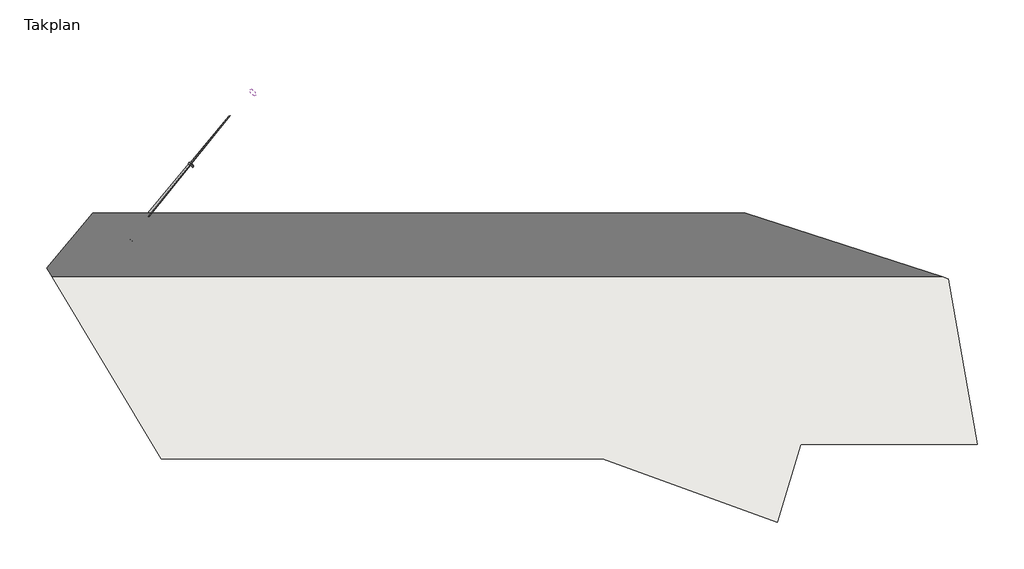
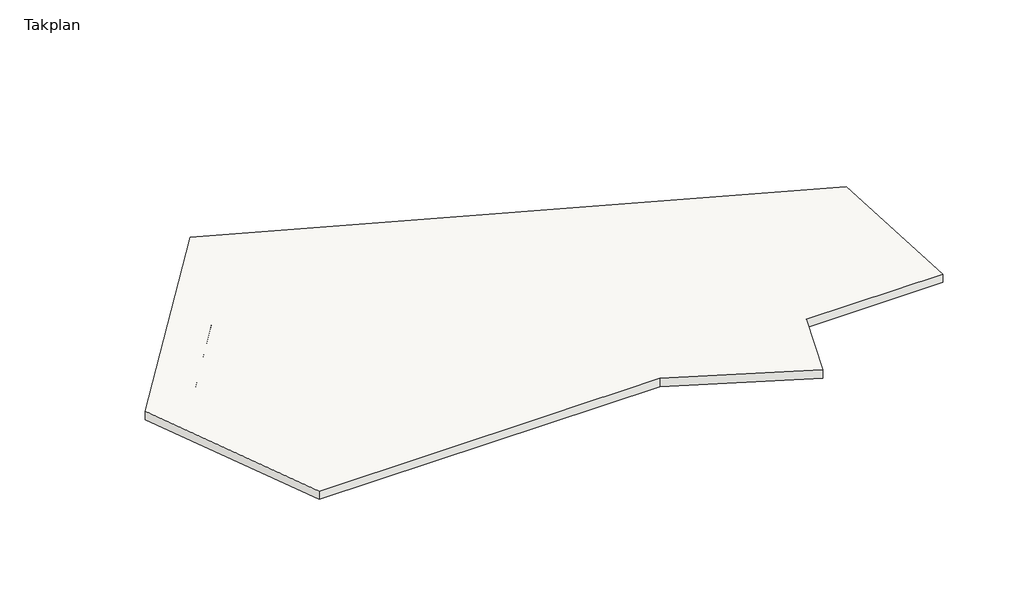
# One storey: 4 members, 3 plates, 1 roof.
"""IFC4 building model written with IfcOpenShell, lengths in millimetres."""

import ifcopenshell
import ifcopenshell.guid

model = None  # the IFC model being written
_history = None  # IfcOwnerHistory: only IFC2X3 demands one
_inside = {}  # id of a spatial element -> (the spatial element, [elements in it])
_under = {}  # id of a project, library or spatial element -> (it, [spatial elements below it])
_declared = {}  # id of a project -> (the project, [libraries it declares])
_typed = {}  # id of a type object -> (the type object, [elements of that type])
_made_of = {}  # id of a material, layer set ... -> (it, [elements and type objects made of it])


def new_model(schema):
    """Start an empty IFC model of exactly this schema.

    Asked for "IFC4X3", IfcOpenShell would pick the latest addendum, in which some entities
    have other attributes; the version numbers below select the first issue.
    IFC2X3 requires an IfcOwnerHistory on every rooted entity: one is made here for all.
    """
    global model, _history
    if schema == "IFC4X3":
        model = ifcopenshell.file(schema_version=(4, 3, 0, 0))
    else:
        model = ifcopenshell.file(schema=schema)
    _inside.clear()
    _under.clear()
    _declared.clear()
    _typed.clear()
    _made_of.clear()
    _history = None
    if model.schema == "IFC2X3":
        org = make("IfcOrganization", Name="unknown")
        user = make(
            "IfcPersonAndOrganization",
            ThePerson=make("IfcPerson", FamilyName="unknown"),
            TheOrganization=org,
        )
        app = make(
            "IfcApplication",
            ApplicationDeveloper=org,
            Version="unknown",
            ApplicationFullName="unknown",
            ApplicationIdentifier="unknown",
        )
        _history = make(
            "IfcOwnerHistory",
            OwningUser=user,
            OwningApplication=app,
            ChangeAction="ADDED",
            CreationDate=0,
        )
    return model


def make(cls, **values):
    """One entity of the class cls with the attributes given. An attribute that is None is left unset."""
    return model.create_entity(
        cls, **{name: value for name, value in values.items() if value is not None}
    )


def rooted(cls, **values):
    """An entity with a GlobalId (a new one), such as an element, a storey or a relation."""
    return make(cls, GlobalId=ifcopenshell.guid.new(), OwnerHistory=_history, **values)


def si_unit(unit_type, name, prefix=None):
    """IfcSIUnit, for example si_unit("LENGTHUNIT", "METRE", prefix="MILLI")."""
    return make("IfcSIUnit", UnitType=unit_type, Prefix=prefix, Name=name)


def assignment(units):
    """IfcUnitAssignment: the units of a project."""
    return None if units is None else make("IfcUnitAssignment", Units=units)


def point(xyz):
    """IfcCartesianPoint."""
    return None if xyz is None else make("IfcCartesianPoint", Coordinates=xyz)


def direction(xyz):
    """IfcDirection."""
    return None if xyz is None else make("IfcDirection", DirectionRatios=xyz)


def frame(location, z_axis=None, x_axis=None):
    """IfcAxis2Placement3D, a coordinate frame: its origin and axes. An axis left out is left unset."""
    return make(
        "IfcAxis2Placement3D",
        Location=point(location),
        Axis=direction(z_axis),
        RefDirection=direction(x_axis),
    )


def origin():
    """The frame at (0, 0, 0) with its axes left unset."""
    return frame((0.0, 0.0, 0.0))


def place(relative_to, where):
    """IfcLocalPlacement: puts the frame where relative to a parent placement (None: the world)."""
    return make(
        "IfcLocalPlacement", PlacementRelTo=relative_to, RelativePlacement=where
    )


def context(
    kind, dimensions, precision=None, world=None, true_north=None, identifier=None
):
    """IfcGeometricRepresentationContext, for example the 3D "Model" context."""
    return make(
        "IfcGeometricRepresentationContext",
        ContextIdentifier=identifier,
        ContextType=kind,
        CoordinateSpaceDimension=dimensions,
        Precision=precision,
        WorldCoordinateSystem=world,
        TrueNorth=true_north,
    )


def project(units=None, contexts=None):
    """IfcProject with its units and contexts."""
    return rooted(
        "IfcProject",
        Name="project",
        RepresentationContexts=contexts,
        UnitsInContext=assignment(units),
    )


def spatial(cls, under=None, at=None, **own):
    """A site, building, storey or space (cls), placed at a placement, below another one or the project."""
    s = rooted(cls, ObjectPlacement=at, **own)
    if under is not None:
        _under.setdefault(under.id(), (under, []))[1].append(s)
    return s


def polyline(points):
    """IfcPolyline through the points."""
    return make("IfcPolyline", Points=[point(p) for p in points])


def outline(outer, holes=None, kind="AREA"):
    """IfcArbitraryClosedProfileDef: a profile drawn as a closed curve; with holes, ...WithVoids."""
    if holes is None:
        return make("IfcArbitraryClosedProfileDef", ProfileType=kind, OuterCurve=outer)
    return make(
        "IfcArbitraryProfileDefWithVoids",
        ProfileType=kind,
        OuterCurve=outer,
        InnerCurves=holes,
    )


def extrude(swept, where, along, depth):
    """IfcExtrudedAreaSolid: the profile swept, set in the frame where, extruded along a direction by depth."""
    return make(
        "IfcExtrudedAreaSolid",
        SweptArea=swept,
        Position=where,
        ExtrudedDirection=direction(along),
        Depth=depth,
    )


def faces_of(points, faces, orient=None, outer=None):
    """IfcFace entities. A face is a list of loops; a loop is a list of indices into points, from 0.

    orient and outer hold one flag for each loop. By default every Orientation is true, the
    first loop of a face is its IfcFaceOuterBound and the others are IfcFaceBound.
    """
    made = []
    for i, loops in enumerate(faces):
        bounds = []
        for j, loop in enumerate(loops):
            is_outer = j == 0 if outer is None else outer[i][j]
            bounds.append(
                make(
                    "IfcFaceOuterBound" if is_outer else "IfcFaceBound",
                    Bound=make("IfcPolyLoop", Polygon=[points[k] for k in loop]),
                    Orientation=True if orient is None else orient[i][j],
                )
            )
        made.append(make("IfcFace", Bounds=bounds))
    return made


def faceted_brep(points, faces, orient=None, outer=None, voids=None):
    """IfcFacetedBrep: a solid bounded by flat faces; with voids (closed shells), ...WithVoids."""
    shared = [point(p) for p in points]
    hull = make("IfcClosedShell", CfsFaces=faces_of(shared, faces, orient, outer))
    if voids is None:
        return make("IfcFacetedBrep", Outer=hull)
    return make(
        "IfcFacetedBrepWithVoids",
        Outer=hull,
        Voids=[
            make(cls, CfsFaces=faces_of(shared, fs, o, b)) for cls, fs, o, b in voids
        ],
    )


def shape(context_of_items, identifier, shape_type, items):
    """IfcShapeRepresentation: the items that make up one representation, for example the "Body"."""
    return make(
        "IfcShapeRepresentation",
        ContextOfItems=context_of_items,
        RepresentationIdentifier=identifier,
        RepresentationType=shape_type,
        Items=items,
    )


def source(mapping_origin, context_of_items, identifier, shape_type, items):
    """IfcRepresentationMap: a shape defined once, which mapped items show again and again."""
    return make(
        "IfcRepresentationMap",
        MappingOrigin=mapping_origin,
        MappedRepresentation=shape(context_of_items, identifier, shape_type, items),
    )


def transform(
    local_origin,
    x_axis=None,
    y_axis=None,
    z_axis=None,
    scale=None,
    scale2=None,
    scale3=None,
    uniform=True,
):
    """IfcCartesianTransformationOperator3D, or its non-uniform kind. x_axis, y_axis, z_axis: its Axis1, 2, 3."""
    if uniform:
        return make(
            "IfcCartesianTransformationOperator3D",
            Axis1=direction(x_axis),
            Axis2=direction(y_axis),
            LocalOrigin=point(local_origin),
            Scale=scale,
            Axis3=direction(z_axis),
        )
    return make(
        "IfcCartesianTransformationOperator3DnonUniform",
        Axis1=direction(x_axis),
        Axis2=direction(y_axis),
        LocalOrigin=point(local_origin),
        Scale=scale,
        Axis3=direction(z_axis),
        Scale2=scale2,
        Scale3=scale3,
    )


def mapped(mapping_source, mapping_target):
    """IfcMappedItem: shows the shape of a source again, moved by a transform."""
    return make(
        "IfcMappedItem", MappingSource=mapping_source, MappingTarget=mapping_target
    )


def made_of(thing, what):
    """Note that an element or type object is made of a material, layer set ...; save() writes the relation."""
    if what is not None:
        _made_of.setdefault(what.id(), (what, []))[1].append(thing)
    return thing


def element(
    cls,
    number,
    at=None,
    inside=None,
    cuts=None,
    type_object=None,
    material=None,
    context=None,
    identifier="Body",
    shape_type=None,
    held_by="IfcProductDefinitionShape",
    body=None,
    shapes=None,
    **own,
):
    """One element of the class cls, such as IfcWall. Its Tag is "e" and its number.

    at: its placement. inside: the storey or other place that contains it. cuts: it is an
    opening in that element (IfcRelVoidsElement). A single representation is given by context,
    identifier, shape_type and body (its items); several are given by shapes. held_by: the class
    of the entity that holds the representations. save() writes the other relations.
    """
    e = rooted(cls, Tag="e%d" % number, ObjectPlacement=at, **own)
    if body is not None:
        shapes = [shape(context, identifier, shape_type, body)]
    if shapes is not None:
        e.Representation = make(held_by, Representations=shapes)
    if inside is not None:
        _inside.setdefault(inside.id(), (inside, []))[1].append(e)
    if cuts is not None:
        rooted(
            "IfcRelVoidsElement", RelatingBuildingElement=cuts, RelatedOpeningElement=e
        )
    if type_object is not None:
        _typed.setdefault(type_object.id(), (type_object, []))[1].append(e)
    return made_of(e, material)


def aggregate(whole, parts):
    """IfcRelAggregates: a whole, such as a stair, and the parts it consists of."""
    return rooted("IfcRelAggregates", RelatingObject=whole, RelatedObjects=parts)


def save(model, path):
    """Write the relations noted so far, then the file.

    IfcRelAggregates (storeys below a building ...), IfcRelContainedInSpatialStructure (elements
    in a storey), IfcRelDefinesByType, IfcRelAssociatesMaterial and IfcRelDeclares: one each for
    every whole, place, type object, material and project.
    """
    for whole, parts in _under.values():
        aggregate(whole, parts)
    for where, things in _inside.values():
        rooted(
            "IfcRelContainedInSpatialStructure",
            RelatedElements=things,
            RelatingStructure=where,
        )
    for kind, things in _typed.values():
        rooted("IfcRelDefinesByType", RelatedObjects=things, RelatingType=kind)
    for what, things in _made_of.values():
        rooted("IfcRelAssociatesMaterial", RelatedObjects=things, RelatingMaterial=what)
    for by, libraries in _declared.values():
        rooted("IfcRelDeclares", RelatingContext=by, RelatedDefinitions=libraries)
    model.write(path)


def rectangular_mullion_50_x_150mm_dcf3b636(model_context):
    return source(origin(), model_context, "Body", "SweptSolid", [
        extrude(outline(polyline([(0.0, 75.0), (0.0, -75.0), (-50.0, -75.0), (-50.0, 75.0), (0.0, 75.0)])), frame((0.0, 0.0, -539.4970363), z_axis=(0.0, 0.0, 1.0), x_axis=(1.0, 0.0, 0.0)), (0.0, 0.0, 1.0), 539.4970363),
    ])


def rectangular_mullion_50_x_150mm_679ab983(model_context):
    return source(origin(), model_context, "Body", "SweptSolid", [
        extrude(outline(polyline([(25.0, 75.0), (25.0, -75.0), (-25.0, -75.0), (-25.0, 75.0), (25.0, 75.0)])), frame((0.0, 0.0, -499.5737839), z_axis=(0.0, 0.0, 1.0), x_axis=(1.0, 0.0, 0.0)), (0.0, 0.0, 1.0), 499.5737839),
    ])


def rectangular_mullion_50_x_150mm_d9afb61f(model_context):
    return source(origin(), model_context, "Body", "SweptSolid", [
        extrude(outline(polyline([(25.0, 75.0), (25.0, -75.0), (-25.0, -75.0), (-25.0, 75.0), (25.0, 75.0)])), frame((0.0, 0.0, -464.2515866), z_axis=(0.0, 0.0, 1.0), x_axis=(1.0, 0.0, 0.0)), (0.0, 0.0, 1.0), 464.2515866),
    ])


def rectangular_mullion_50_x_150mm_19e89db2(model_context):
    return source(origin(), model_context, "Body", "SweptSolid", [
        extrude(outline(polyline([(0.0, 75.0), (0.0, -75.0), (-50.0, -75.0), (-50.0, 75.0), (0.0, 75.0)])), frame((0.0, 0.0, -561.6483936), z_axis=(0.0, 0.0, 1.0), x_axis=(1.0, 0.0, 0.0)), (0.0, 0.0, 1.0), 561.6483936),
    ])


def system_panel_glazed_48c393be(model_context):
    return source(origin(), model_context, "Body", "SweptSolid", [
        extrude(outline(polyline([(0.0, -1439.5718454), (0.0, 1439.5718454), (498.3373396, 1399.8421098), (538.753476, -1435.2218994), (0.0, -1439.5718454)])), frame((0.0, -49.5, 0.0), z_axis=(0.0, 1.0, 0.0), x_axis=(0.0, 0.0, 1.0)), (0.0, 0.0, 1.0), 25.0),
    ])


def system_panel_glazed_213393f9(model_context):
    return source(origin(), model_context, "Body", "SweptSolid", [
        extrude(outline(polyline([(0.0, -1457.10153), (0.0, 1471.7054683), (452.1023031, 1388.7661262), (456.6133371, 1413.3557698), (497.6190818, -1471.7054683), (1.9873495, -1432.1806464), (0.0, -1457.10153)])), frame((0.0, -49.5, 0.0), z_axis=(0.0, 1.0, 0.0), x_axis=(0.0, 0.0, 1.0)), (0.0, 0.0, 1.0), 25.0),
    ])


def system_panel_glazed_b9c950ce(model_context):
    return source(origin(), model_context, "Body", "SweptSolid", [
        extrude(outline(polyline([(0.0, -756.0048661), (0.0, 814.2974584), (434.7016512, 707.1049482), (456.2629942, -814.2974584), (4.5114113, -731.4152917), (0.0, -756.0048661)])), frame((0.0, -49.5, 0.0), z_axis=(0.0, 1.0, 0.0), x_axis=(0.0, 0.0, 1.0)), (0.0, 0.0, 1.0), 25.0),
    ])


model = new_model("IFC4")

# Units and contexts
model_context = context("Model", 3, world=origin())
ifc_project = project(units=[si_unit("LENGTHUNIT", "METRE", prefix="MILLI")], contexts=[model_context])

# Site, building, storey
site = spatial("IfcSite", under=ifc_project)
building = spatial("IfcBuilding", under=site)
storey = spatial("IfcBuildingStorey", under=building, Name="Takplan", Elevation=2500.0)

# Members
placement = place(None, origin())
rectangular_mullion_50_x_150mm_shape = rectangular_mullion_50_x_150mm_dcf3b636(model_context)
element("IfcMember", 1, ObjectType="Rectangular Mullion : 50 x 150mm", at=placement, inside=storey, context=model_context, shape_type="MappedRepresentation", body=[
    mapped(rectangular_mullion_50_x_150mm_shape, transform((-83725.1767431, 23278.4471109, 4348.1412352), x_axis=(0.6371585671243668, 0.7603071919478133, 0.1263405485679671), y_axis=(-0.7697565522605497, 0.6194960776341587, 0.15394628949034198), z_axis=(0.03877899678918355, -0.1953396623021641, 0.9799686758971947))),
])
rectangular_mullion_50_x_150mm_2_shape = rectangular_mullion_50_x_150mm_679ab983(model_context)
element("IfcMember", 2, ObjectType="Rectangular Mullion : 50 x 150mm", at=placement, inside=storey, context=model_context, shape_type="MappedRepresentation", body=[
    mapped(rectangular_mullion_50_x_150mm_2_shape, transform((-85630.2013309, 21135.3612585, 3470.1805719), x_axis=(-0.631370757440631, -0.7744450525608024, -0.04007277396113249), y_axis=(-0.7682595738500362, 0.6176198104589615, 0.16829437577173248), z_axis=(-0.10558500763178735, 0.13704243975036537, -0.9849219135904445))),
])
rectangular_mullion_50_x_150mm_3_shape = rectangular_mullion_50_x_150mm_d9afb61f(model_context)
element("IfcMember", 3, ObjectType="Rectangular Mullion : 50 x 150mm", at=placement, inside=storey, context=model_context, shape_type="MappedRepresentation", body=[
    mapped(rectangular_mullion_50_x_150mm_3_shape, transform((-87514.3047647, 18886.8902372, 3120.910105), x_axis=(-0.6149880489723251, -0.7862689509689745, 0.059756475493135314), y_axis=(-0.7672045994768796, 0.614138036333243, 0.18501776906629538), z_axis=(-0.18217245171192573, 0.06793827397643233, -0.9809167083735344))),
])
rectangular_mullion_50_x_150mm_4_shape = rectangular_mullion_50_x_150mm_19e89db2(model_context)
element("IfcMember", 4, ObjectType="Rectangular Mullion : 50 x 150mm", at=placement, inside=storey, context=model_context, shape_type="MappedRepresentation", body=[
    mapped(rectangular_mullion_50_x_150mm_4_shape, transform((-88414.2991914, 17679.8125664, 3371.1687369), x_axis=(-0.5155532901909426, 0.8448195980960672, 0.14312460181985906), y_axis=(-0.8263299654450305, -0.5343890864687997, 0.1777838363593739), z_axis=(0.2266794943988284, -0.026611105498294547, 0.9736058010731294))),
])

# Plates
system_panel_glazed_shape = system_panel_glazed_48c393be(model_context)
element("IfcPlate", 5, ObjectType="System Panel : Glazed", at=placement, inside=storey, context=model_context, shape_type="MappedRepresentation", body=[
    mapped(system_panel_glazed_shape, transform((-84696.0846413, 22250.1026847, 3643.3399908), x_axis=(-0.6367811638772394, -0.7618945586697145, -0.11843323351420285), y_axis=(0.7694659256871257, -0.6181121011810454, -0.1608092645963162), z_axis=(0.04931468886248232, -0.1935306483300107, 0.9798540450594477))),
])
system_panel_glazed_2_shape = system_panel_glazed_213393f9(model_context)
element("IfcPlate", 6, ObjectType="System Panel : Glazed", at=placement, inside=storey, context=model_context, shape_type="MappedRepresentation", body=[
    mapped(system_panel_glazed_2_shape, transform((-86559.5123931, 20026.3729909, 3297.9160476), x_axis=(-0.6366961995160606, -0.7619594062034709, -0.11847283578887928), y_axis=(0.7686587356705538, -0.6148805013972893, -0.1763114207269736), z_axis=(0.06149550877219032, -0.20332199167692638, 0.9771788322008298))),
])
system_panel_glazed_3_shape = system_panel_glazed_b9c950ce(model_context)
element("IfcPlate", 7, ObjectType="System Panel : Glazed", at=placement, inside=storey, context=model_context, shape_type="MappedRepresentation", body=[
    mapped(system_panel_glazed_3_shape, transform((-87996.4923237, 18311.5186362, 3031.5378092), x_axis=(-0.6366210033651781, -0.762016299658273, -0.11851100003555348), y_axis=(0.7677751801388367, -0.6118659548909396, -0.190108721546844), z_axis=(0.07235309832405694, -0.21201700946035384, 0.9745839198665232))),
])

# Roof
element("IfcRoof", 8, ObjectType="Warm Roof - Timber", at=placement, inside=storey, context=model_context, shape_type="Brep", body=[
    faceted_brep([(-61832.4307083, 12654.0910522, 2464.5490882), (-67172.0925244, 12653.6607612, 2464.4732163), (-67891.8736358, 10299.3628283, 2049.3469701), (-73168.0827233, 12216.4255382, 2387.3768495), (-86522.3520592, 12216.4255382, 2387.3768495), (-89990.9824512, 17996.1920695, 3406.5056312), (-84365.6713596, 24700.1767723, 4588.5990126), (-62716.1329162, 17665.8153177, 3348.2512961), (-67172.0925244, 12653.6607612, 2807.6874111), (-61832.4307083, 12654.0910522, 2807.763283), (-62716.1329162, 17665.8153177, 3691.4654909), (-84365.6713596, 24700.1767723, 4931.8132074), (-89990.9824512, 17996.1920695, 3749.719826), (-86522.3520592, 12216.4255382, 2730.5910443), (-73168.0827233, 12216.4255382, 2730.5910443), (-67891.8736358, 10299.3628283, 2392.5611649)], [[[0, 1, 2, 3, 4, 5, 6, 7]], [[8, 9, 10, 11, 12, 13, 14, 15]], [[9, 8, 1, 0]], [[13, 12, 5, 4]], [[12, 11, 6, 5]], [[11, 10, 7, 6]], [[10, 9, 0, 7]], [[8, 15, 2, 1]], [[15, 14, 3, 2]], [[14, 13, 4, 3]]]),
])

save(model, "model.ifc")
